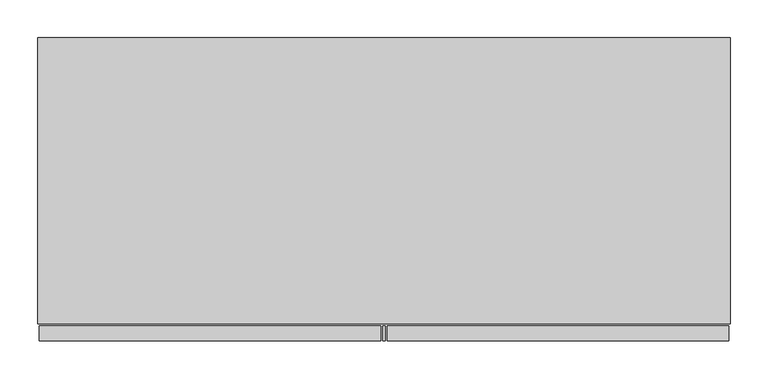
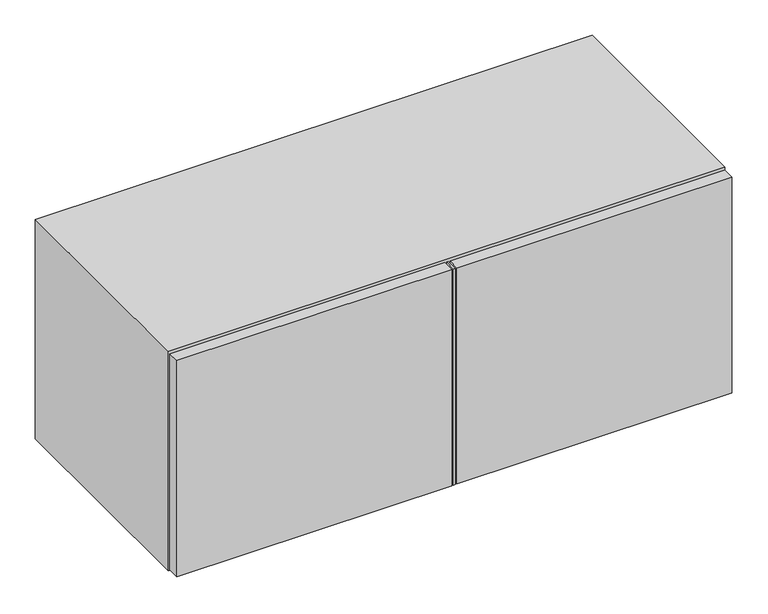
"""IFC4 building model written with IfcOpenShell, lengths in millimetres: furniture geometry."""

from ifc_helpers import new_model, si_unit, frame, origin, place, context, project, spatial, polyline, outline, extrude, faceted_brep, source, transform, mapped, element, save


def furniture_28bf5faa(model_context):
    return source(origin(), model_context, "Body", "SolidModel", [
        extrude(outline(polyline([(455.1050736, -380.3650097), (458.2792365, -380.3650097), (458.2792365, -400.05), (455.1050736, -400.05), (455.1050736, -380.3650097)])), frame((0.0, 0.0, 1288.9992008), z_axis=(0.0, 0.0, 1.0), x_axis=(1.0, 0.0, 0.0)), (0.0, 0.0, 1.0), 375.0055984),
        extrude(outline(polyline([(452.5136736, -380.3650097), (452.5136736, -400.05), (1.5010712, -400.05), (1.5010712, -380.3650097), (452.5136736, -380.3650097)])), frame((0.0, 0.0, 1288.9992008), z_axis=(0.0, 0.0, 1.0), x_axis=(1.0, 0.0, 0.0)), (0.0, 0.0, 1.0), 375.0055984),
        extrude(outline(polyline([(911.86, -380.3650097), (911.86, -400.05), (460.9336868, -400.05), (460.9336868, -380.3650097), (911.86, -380.3650097)])), frame((0.0, 0.0, 1288.9992008), z_axis=(0.0, 0.0, 1.0), x_axis=(1.0, 0.0, 0.0)), (0.0, 0.0, 1.0), 375.0055984),
        faceted_brep([(446.6084682, -377.8757721, 1306.1696643), (446.6084682, -377.8757721, 1646.8343357), (446.6084682, -20.1675917, 1646.8343357), (446.6084682, -20.1675917, 1306.1696643), (0.0, -377.8757721, 1667.002), (0.0, -377.8757721, 1286.002), (913.384, -377.8757721, 1286.002), (913.384, -377.8757721, 1667.002), (20.1673737, -377.8757721, 1306.1696643), (20.1673737, -377.8757721, 1646.8343357), (466.7755318, -377.8757721, 1306.1696643), (466.7755318, -377.8757721, 1646.8343357), (893.2166263, -377.8757721, 1646.8343357), (893.2166263, -377.8757721, 1306.1696643), (466.7755318, -20.1675917, 1306.1696643), (466.7755318, -20.1675917, 1646.8343357), (20.1673737, -20.1675917, 1306.1696643), (893.2166263, -20.1675917, 1306.1696643), (0.0, 0.0, 1286.002), (913.384, 0.0, 1286.002), (0.0, 0.0, 1667.002), (913.384, 0.0, 1667.002), (20.1673737, -20.1675917, 1646.8343357), (893.2166263, -20.1675917, 1646.8343357)], [[[0, 1, 2, 3]], [[4, 5, 6, 7], [1, 0, 8, 9], [10, 11, 12, 13]], [[11, 10, 14, 15]], [[8, 0, 3, 16]], [[10, 13, 17, 14]], [[18, 19, 6, 5]], [[20, 4, 7, 21]], [[4, 20, 18, 5]], [[8, 16, 22, 9]], [[3, 2, 22, 16]], [[15, 14, 17, 23]], [[17, 13, 12, 23]], [[21, 7, 6, 19]], [[20, 21, 19, 18]], [[1, 9, 22, 2]], [[12, 11, 15, 23]]]),
    ])


if __name__ == "__main__":
    model = new_model("IFC4")
    model_context = context("Model", 3, world=origin())
    ifc_project = project(units=[si_unit("LENGTHUNIT", "METRE", prefix="MILLI")], contexts=[model_context])
    site = spatial("IfcSite", under=ifc_project)
    building = spatial("IfcBuilding", under=site)
    placement = place(None, origin())
    furniture_shape = furniture_28bf5faa(model_context)
    element("IfcFurniture", 1, at=placement, inside=building, context=model_context, shape_type="MappedRepresentation", body=[
        mapped(furniture_shape, transform((0.0, 0.0, 0.0), x_axis=(1.0, 0.0, 0.0), y_axis=(0.0, 1.0, 0.0), z_axis=(0.0, 0.0, 1.0))),
    ])
    save(model, "model.ifc")
